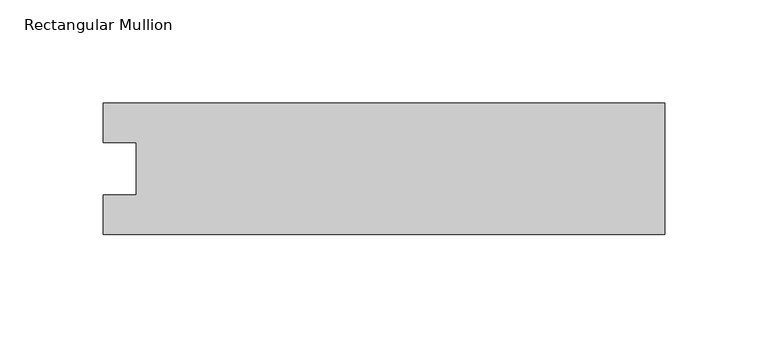
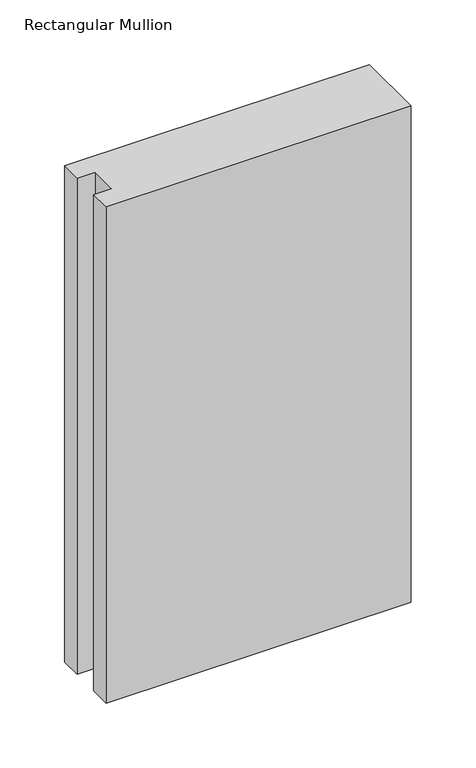
"""IFC4 building model written with IfcOpenShell, lengths in millimetres: member geometry, Rectangular Mullion."""

from ifc_helpers import new_model, si_unit, frame, origin, place, context, project, spatial, polyline, outline, extrude, source, transform, mapped, element, save


def rectangular_mullion_c1733a76(model_context):
    return source(origin(), model_context, "Body", "SweptSolid", [
        extrude(outline(polyline([(-271.2568015, 31.7489583), (0.0, 31.7489583), (0.0, -31.7489583), (-271.2568015, -31.7489583), (-271.2568015, -12.7), (-255.3707024, -12.7), (-255.3707024, 12.7), (-271.2568015, 12.7), (-271.2568015, 31.7489583)])), frame((0.0, 0.0, -466.4607299), z_axis=(0.0, 0.0, 1.0), x_axis=(1.0, 0.0, 0.0)), (0.0, 0.0, 1.0), 466.4607299),
    ])


if __name__ == "__main__":
    model = new_model("IFC4")
    model_context = context("Model", 3, world=origin())
    ifc_project = project(units=[si_unit("LENGTHUNIT", "METRE", prefix="MILLI")], contexts=[model_context])
    site = spatial("IfcSite", under=ifc_project)
    building = spatial("IfcBuilding", under=site)
    placement = place(None, origin())
    rectangular_mullion_shape = rectangular_mullion_c1733a76(model_context)
    element("IfcMember", 1, ObjectType="Rectangular Mullion", at=placement, inside=building, context=model_context, shape_type="MappedRepresentation", body=[
        mapped(rectangular_mullion_shape, transform((0.0, 0.0, 0.0), x_axis=(1.0, 0.0, 0.0), y_axis=(0.0, 1.0, 0.0), z_axis=(0.0, 0.0, 1.0))),
    ])
    save(model, "model.ifc")
